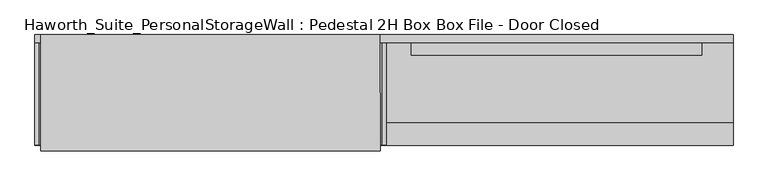
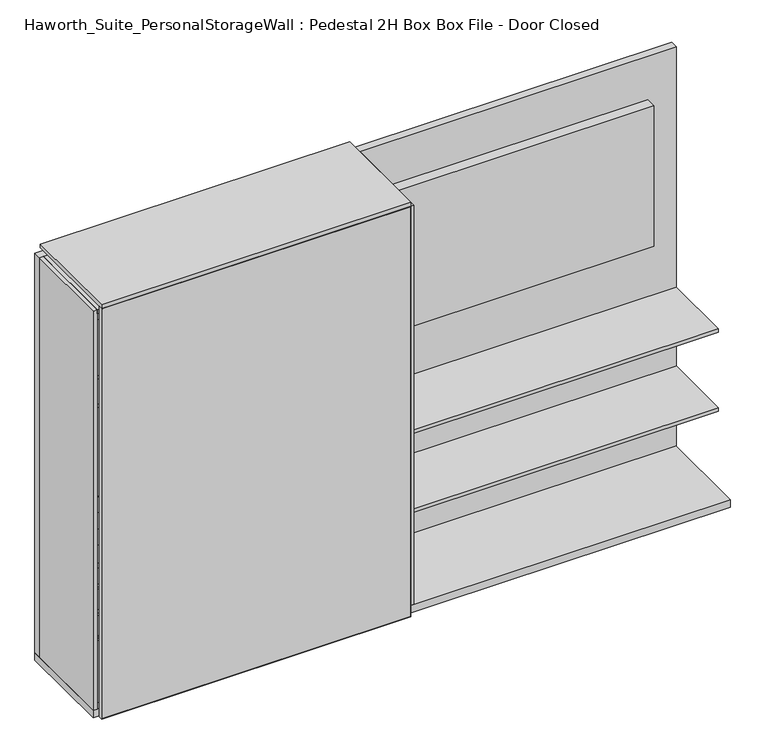
"""IFC4 building model written with IfcOpenShell, lengths in millimetres: furniture geometry, Haworth_Suite_PersonalStorageWall : Pedestal 2H Box Box File - Door Closed."""

from ifc_helpers import new_model, si_unit, point, frame, frame_2d, origin, origin_with_axes, place, context, project, spatial, polyline, circle_curve, trimmed, segment, composite_curve, outline, extrude, source, transform, mapped, element, save


def haworth_suite_personalstoragewall_pedestal_2h_box_box_file_7aa3831e(model_context):
    return source(origin(), model_context, "Body", "SweptSolid", [
        extrude(outline(polyline([(1070.371875, -202.4059418), (-199.628125, -202.4059418), (-199.628125, -151.6059418), (1070.371875, -151.6059418), (1070.371875, -202.4059418)])), frame((0.0, 0.0, 1127.125), z_axis=(0.0, 0.0, 1.0), x_axis=(1.0, 0.0, 0.0)), (0.0, 0.0, 1.0), 711.2),
        extrude(outline(polyline([(2077.24375, -1816.1), (0.0, -1816.1), (1.5875, -1814.5125), (2075.65625, -1814.5125), (2077.24375, -1816.1)])), frame((0.0, -622.3, 0.0), z_axis=(0.0, 1.0, 0.0), x_axis=(0.0, 0.0, 1.0)), (0.0, 0.0, 1.0), 19.05),
        extrude(outline(polyline([(2077.24375, -334.9625), (2075.65625, -336.55), (1.5875, -336.55), (0.0, -334.9625), (2077.24375, -334.9625)])), frame((0.0, -622.3, 0.0), z_axis=(0.0, 1.0, 0.0), x_axis=(0.0, 0.0, 1.0)), (0.0, 0.0, 1.0), 19.05),
        extrude(outline(polyline([(2075.65625, -1814.5125), (2075.65625, -336.55), (2077.24375, -334.9625), (2077.24375, -1816.1), (2075.65625, -1814.5125)])), frame((0.0, -622.3, 0.0), z_axis=(0.0, 1.0, 0.0), x_axis=(0.0, 0.0, 1.0)), (0.0, 0.0, 1.0), 19.05),
        extrude(outline(polyline([(1.5875, -1814.5125), (0.0, -1816.1), (0.0, -334.9625), (1.5875, -336.55), (1.5875, -1814.5125)])), frame((0.0, -622.3, 0.0), z_axis=(0.0, 1.0, 0.0), x_axis=(0.0, 0.0, 1.0)), (0.0, 0.0, 1.0), 19.05),
        extrude(outline(polyline([(-336.55, -604.04375), (-336.55, -621.50625), (-1814.5125, -621.50625), (-1814.5125, -604.04375), (-336.55, -604.04375)])), frame((0.0, 0.0, 1.5875), z_axis=(0.0, 0.0, 1.0), x_axis=(1.0, 0.0, 0.0)), (0.0, 0.0, 1.0), 2074.06875),
        extrude(outline(polyline([(-1485.9, -567.5309387), (-1485.9, -186.5309387), (-1473.2, -186.5309387), (-1473.2, -567.5309387), (-1485.9, -567.5309387)])), frame((0.0, 0.0, 527.05), z_axis=(0.0, 0.0, 1.0), x_axis=(1.0, 0.0, 0.0)), (0.0, 0.0, 1.0), 101.6),
        extrude(outline(polyline([(-1822.45, -186.5309387), (-1809.75, -186.5309387), (-1809.75, -567.5309387), (-1822.45, -567.5309387), (-1822.45, -186.5309387)])), frame((0.0, 0.0, 527.05), z_axis=(0.0, 0.0, 1.0), x_axis=(1.0, 0.0, 0.0)), (0.0, 0.0, 1.0), 101.6),
        extrude(outline(polyline([(-1822.45, -186.5309387), (-1822.45, -173.8309387), (-1473.2, -173.8309387), (-1473.2, -186.5309387), (-1822.45, -186.5309387)])), frame((0.0, 0.0, 527.05), z_axis=(0.0, 0.0, 1.0), x_axis=(1.0, 0.0, 0.0)), (0.0, 0.0, 1.0), 101.6),
        extrude(outline(polyline([(-1822.45, -580.2309387), (-1822.45, -567.5309387), (-1473.2, -567.5309387), (-1473.2, -580.2309387), (-1822.45, -580.2309387)])), frame((0.0, 0.0, 527.05), z_axis=(0.0, 0.0, 1.0), x_axis=(1.0, 0.0, 0.0)), (0.0, 0.0, 1.0), 101.6),
        extrude(outline(polyline([(-1809.75, -567.5309387), (-1809.75, -186.5309387), (-1485.9, -186.5309387), (-1485.9, -567.5309387), (-1809.75, -567.5309387)])), frame((0.0, 0.0, 527.05), z_axis=(0.0, 0.0, 1.0), x_axis=(1.0, 0.0, 0.0)), (0.0, 0.0, 1.0), 12.7),
        extrude(outline(polyline([(-148.4309387, 749.3), (-147.2970101, 748.1660714), (-248.8970101, 671.9660714), (-250.0309387, 673.1), (-148.4309387, 749.3)])), frame((-1822.45, 0.0, 0.0), z_axis=(1.0, 0.0, 0.0), x_axis=(0.0, 1.0, 0.0)), (0.0, 0.0, 1.0), 349.25),
        extrude(outline(polyline([(-351.6309387, 749.3), (-350.4970101, 748.1660714), (-452.0970101, 671.9660714), (-453.2309387, 673.1), (-351.6309387, 749.3)])), frame((-1822.45, 0.0, 0.0), z_axis=(1.0, 0.0, 0.0), x_axis=(0.0, 1.0, 0.0)), (0.0, 0.0, 1.0), 349.25),
        extrude(outline(polyline([(0.0, -127.0), (0.0, 0.0), (349.25, 0.0), (349.25, -127.0), (0.0, -127.0)])), frame((-1822.45, -249.0784387, 748.03), z_axis=(0.0, -0.5999999999999731, 0.8000000000000203), x_axis=(1.0, 0.0, 0.0)), (0.0, 0.0, 1.0), 1.5875),
        extrude(outline(polyline([(-1822.45, -578.6434387), (-1822.45, -148.4309387), (-1473.2, -148.4309387), (-1473.2, -578.6434387), (-1822.45, -578.6434387)])), frame((0.0, 0.0, 657.225), z_axis=(0.0, 0.0, 1.0), x_axis=(1.0, 0.0, 0.0)), (0.0, 0.0, 1.0), 15.875),
        extrude(outline(composite_curve([segment(trimmed(circle_curve(frame_2d((-567.5309387, 738.1875)), 12.7), [point((-580.2309387, 738.1875))], [point((-567.5309387, 750.8875))], False, "CARTESIAN"), True, "CONTINUOUS"), segment(polyline([(-567.5309387, 750.8875), (-453.2309387, 750.8875), (-453.2309387, 749.3), (-567.5309387, 749.3)]), True, "CONTINUOUS"), segment(trimmed(circle_curve(frame_2d((-567.5309387, 738.1875)), 11.1125), [point((-567.5309387, 749.3))], [point((-578.6434387, 738.1875))], True, "CARTESIAN"), True, "CONTINUOUS"), segment(polyline([(-578.6434387, 738.1875), (-578.6434387, 657.225), (-580.2309387, 657.225), (-580.2309387, 738.1875)]), True, "CONTINUOUS")], self_intersect=False)), frame((-1822.45, 0.0, 0.0), z_axis=(1.0, 0.0, 0.0), x_axis=(0.0, 1.0, 0.0)), (0.0, 0.0, 1.0), 349.25),
        extrude(outline(polyline([(-304.4825, 720.725), (-304.4825, 479.425), (-153.9875, 479.425), (-153.9875, 504.825), (-152.4, 504.825), (-152.4, 477.8375), (-306.07, 477.8375), (-306.07, 719.1375), (-329.8825, 719.1375), (-329.8825, 720.725), (-304.4825, 720.725)])), frame((-1449.3875, 0.0, 0.0), z_axis=(1.0, 0.0, 0.0), x_axis=(0.0, 1.0, 0.0)), (0.0, 0.0, 1.0), 952.5),
        extrude(outline(polyline([(-598.4875, 0.0), (-598.4875, 39.6875), (-152.4, 39.6875), (-152.4, 38.1), (-596.9, 38.1), (-596.9, 0.0), (-598.4875, 0.0)])), frame((-1449.3875, 0.0, 0.0), z_axis=(1.0, 0.0, 0.0), x_axis=(0.0, 1.0, 0.0)), (0.0, 0.0, 1.0), 952.5),
        extrude(outline(composite_curve([segment(trimmed(circle_curve(frame_2d((-582.6125, 738.1875)), 12.7), [point((-595.3125, 738.1875))], [point((-582.6125, 750.8875))], False, "CARTESIAN"), True, "CONTINUOUS"), segment(polyline([(-582.6125, 750.8875), (-163.5125, 750.8875), (-163.5125, 749.3), (-582.6125, 749.3)]), True, "CONTINUOUS"), segment(trimmed(circle_curve(frame_2d((-582.6125, 738.1875)), 11.1125), [point((-582.6125, 749.3))], [point((-593.725, 738.1875))], True, "CARTESIAN"), True, "CONTINUOUS"), segment(polyline([(-593.725, 738.1875), (-593.725, 708.025), (-595.3125, 708.025), (-595.3125, 738.1875)]), True, "CONTINUOUS")], self_intersect=False)), frame((-1449.3875, 0.0, 0.0), z_axis=(1.0, 0.0, 0.0), x_axis=(0.0, 1.0, 0.0)), (0.0, 0.0, 1.0), 952.5),
        extrude(outline(polyline([(-1485.9, -567.5309387), (-1485.9, -186.5309387), (-1473.2, -186.5309387), (-1473.2, -567.5309387), (-1485.9, -567.5309387)])), frame((0.0, 0.0, 396.875), z_axis=(0.0, 0.0, 1.0), x_axis=(1.0, 0.0, 0.0)), (0.0, 0.0, 1.0), 101.6),
        extrude(outline(polyline([(-1822.45, -186.5309387), (-1809.75, -186.5309387), (-1809.75, -567.5309387), (-1822.45, -567.5309387), (-1822.45, -186.5309387)])), frame((0.0, 0.0, 396.875), z_axis=(0.0, 0.0, 1.0), x_axis=(1.0, 0.0, 0.0)), (0.0, 0.0, 1.0), 101.6),
        extrude(outline(polyline([(-1822.45, -186.5309387), (-1822.45, -173.8309387), (-1473.2, -173.8309387), (-1473.2, -186.5309387), (-1822.45, -186.5309387)])), frame((0.0, 0.0, 396.875), z_axis=(0.0, 0.0, 1.0), x_axis=(1.0, 0.0, 0.0)), (0.0, 0.0, 1.0), 101.6),
        extrude(outline(polyline([(-1822.45, -580.2309387), (-1822.45, -567.5309387), (-1473.2, -567.5309387), (-1473.2, -580.2309387), (-1822.45, -580.2309387)])), frame((0.0, 0.0, 396.875), z_axis=(0.0, 0.0, 1.0), x_axis=(1.0, 0.0, 0.0)), (0.0, 0.0, 1.0), 101.6),
        extrude(outline(polyline([(-1809.75, -567.5309387), (-1809.75, -186.5309387), (-1485.9, -186.5309387), (-1485.9, -567.5309387), (-1809.75, -567.5309387)])), frame((0.0, 0.0, 396.875), z_axis=(0.0, 0.0, 1.0), x_axis=(1.0, 0.0, 0.0)), (0.0, 0.0, 1.0), 12.7),
        extrude(outline(polyline([(-1485.9, -567.5309387), (-1485.9, -186.5309387), (-1473.2, -186.5309387), (-1473.2, -567.5309387), (-1485.9, -567.5309387)])), frame((0.0, 0.0, 57.15), z_axis=(0.0, 0.0, 1.0), x_axis=(1.0, 0.0, 0.0)), (0.0, 0.0, 1.0), 311.15),
        extrude(outline(polyline([(-1822.45, -186.5309387), (-1809.75, -186.5309387), (-1809.75, -567.5309387), (-1822.45, -567.5309387), (-1822.45, -186.5309387)])), frame((0.0, 0.0, 57.15), z_axis=(0.0, 0.0, 1.0), x_axis=(1.0, 0.0, 0.0)), (0.0, 0.0, 1.0), 311.15),
        extrude(outline(polyline([(-1822.45, -186.5309387), (-1822.45, -173.8309387), (-1473.2, -173.8309387), (-1473.2, -186.5309387), (-1822.45, -186.5309387)])), frame((0.0, 0.0, 57.15), z_axis=(0.0, 0.0, 1.0), x_axis=(1.0, 0.0, 0.0)), (0.0, 0.0, 1.0), 311.15),
        extrude(outline(polyline([(-1822.45, -580.2309387), (-1822.45, -567.5309387), (-1473.2, -567.5309387), (-1473.2, -580.2309387), (-1822.45, -580.2309387)])), frame((0.0, 0.0, 57.15), z_axis=(0.0, 0.0, 1.0), x_axis=(1.0, 0.0, 0.0)), (0.0, 0.0, 1.0), 311.15),
        extrude(outline(polyline([(-1809.75, -567.5309387), (-1809.75, -186.5309387), (-1485.9, -186.5309387), (-1485.9, -567.5309387), (-1809.75, -567.5309387)])), frame((0.0, 0.0, 57.15), z_axis=(0.0, 0.0, 1.0), x_axis=(1.0, 0.0, 0.0)), (0.0, 0.0, 1.0), 12.7),
        extrude(outline(polyline([(2058.19375, 1206.5), (2058.19375, -1841.5), (38.1, -1841.5), (38.1, 1206.5), (2058.19375, 1206.5)]), holes=[polyline([(161.0999959, -1771.6000015), (567.4999898, -1771.6000015), (567.4999898, -1568.3999909), (161.0999959, -1568.3999909), (161.0999959, -1771.6000015)]), polyline([(504.000014, -1238.2500121), (504.000014, -1435.0999879), (643.7000261, -1435.0999879), (643.7000261, -1238.2500121), (504.000014, -1238.2500121)])]), frame((0.0, -149.5975372, 0.0), z_axis=(0.0, 1.0, 0.0), x_axis=(0.0, 0.0, 1.0)), (0.0, 0.0, 1.0), 35.2975372),
        extrude(outline(polyline([(-327.025, -149.5975372), (-327.025, -596.9), (-1822.45, -596.9), (-1822.45, -149.5975372), (-327.025, -149.5975372)])), frame((0.0, 0.0, 2039.14375), z_axis=(0.0, 0.0, 1.0), x_axis=(1.0, 0.0, 0.0)), (0.0, 0.0, 1.0), 19.05),
        extrude(outline(polyline([(-307.2032339, -596.9), (-326.2532339, -596.9), (-326.2532339, -149.5975372), (-307.2032339, -149.5975372), (-307.2032339, -596.9)])), frame((0.0, 0.0, 38.1), z_axis=(0.0, 0.0, 1.0), x_axis=(1.0, 0.0, 0.0)), (0.0, 0.0, 1.0), 2020.09375),
        extrude(outline(polyline([(-326.2532339, -149.5975372), (-326.2532339, -498.475), (-477.8375, -498.475), (-477.8375, -149.5975372), (-326.2532339, -149.5975372)])), frame((0.0, 0.0, 1627.1875), z_axis=(0.0, 0.0, 1.0), x_axis=(1.0, 0.0, 0.0)), (0.0, 0.0, 1.0), 18.2561531),
        extrude(outline(polyline([(-1822.45, -596.9), (-1841.5, -596.9), (-1841.5, -149.5975372), (-1822.45, -149.5975372), (-1822.45, -596.9)])), frame((0.0, 0.0, 38.1), z_axis=(0.0, 0.0, 1.0), x_axis=(1.0, 0.0, 0.0)), (0.0, 0.0, 1.0), 2020.09375),
        extrude(outline(polyline([(-496.8875, -149.5975372), (-496.8875, -163.5125), (-1809.75, -163.5125), (-1809.75, -149.5975372), (-496.8875, -149.5975372)])), frame((0.0, 0.0, 764.4777447), z_axis=(0.0, 0.0, 1.0), x_axis=(1.0, 0.0, 0.0)), (0.0, 0.0, 1.0), 701.1622827),
        extrude(outline(polyline([(-1150.9375754, -149.5975372), (-1150.9375754, -407.1569331), (-1169.1937286, -407.1569331), (-1169.1937286, -149.5975372), (-1150.9375754, -149.5975372)])), frame((0.0, 0.0, 1500.1875484), z_axis=(0.0, 0.0, 1.0), x_axis=(1.0, 0.0, 0.0)), (0.0, 0.0, 1.0), 126.9999516),
        extrude(outline(polyline([(-496.8875, -149.5975372), (-496.8875, -498.475), (-1822.45, -498.475), (-1822.45, -149.5975372), (-496.8875, -149.5975372)])), frame((0.0, 0.0, 1481.93125), z_axis=(0.0, 0.0, 1.0), x_axis=(1.0, 0.0, 0.0)), (0.0, 0.0, 1.0), 18.2562984),
        extrude(outline(polyline([(-496.8875, -149.5975372), (-496.8875, -498.475), (-1822.45, -498.475), (-1822.45, -149.5975372), (-496.8875, -149.5975372)])), frame((0.0, 0.0, 1627.1875), z_axis=(0.0, 0.0, 1.0), x_axis=(1.0, 0.0, 0.0)), (0.0, 0.0, 1.0), 18.2561531),
        extrude(outline(polyline([(1206.5, -149.5975372), (1206.5, -498.475), (-307.2032339, -498.475), (-307.2032339, -149.5975372), (1206.5, -149.5975372)])), frame((0.0, 0.0, 823.6154732), z_axis=(0.0, 0.0, 1.0), x_axis=(1.0, 0.0, 0.0)), (0.0, 0.0, 1.0), 18.25625),
        extrude(outline(polyline([(1206.5, -149.5975372), (1206.5, -498.475), (-307.2032339, -498.475), (-307.2032339, -149.5975372), (1206.5, -149.5975372)])), frame((0.0, 0.0, 424.3592232), z_axis=(0.0, 0.0, 1.0), x_axis=(1.0, 0.0, 0.0)), (0.0, 0.0, 1.0), 18.25625),
        extrude(outline(polyline([(-334.9625, -114.3), (-334.9625, -622.3), (-1816.1, -622.3), (-1816.1, -114.3), (-334.9625, -114.3)])), frame((0.0, 0.0, 2077.24375), z_axis=(0.0, 0.0, 1.0), x_axis=(1.0, 0.0, 0.0)), (0.0, 0.0, 1.0), 19.05),
        extrude(outline(polyline([(-1447.7995299, -596.9), (-1466.8495299, -596.9), (-1466.8495299, -149.5975372), (-1447.7995299, -149.5975372), (-1447.7995299, -596.9)])), frame((0.0, 0.0, 38.1), z_axis=(0.0, 0.0, 1.0), x_axis=(1.0, 0.0, 0.0)), (0.0, 0.0, 1.0), 712.7875),
        extrude(outline(polyline([(1206.5, -114.3), (1206.5, -596.9), (-1841.5, -596.9), (-1841.5, -114.3), (1206.5, -114.3)])), origin_with_axes(), (0.0, 0.0, 1.0), 38.1),
        extrude(outline(polyline([(-477.8375, -596.9), (-496.8875, -596.9), (-496.8875, -149.5975372), (-477.8375, -149.5975372), (-477.8375, -596.9)])), frame((0.0, 0.0, 38.1), z_axis=(0.0, 0.0, 1.0), x_axis=(1.0, 0.0, 0.0)), (0.0, 0.0, 1.0), 2001.04375),
    ])


if __name__ == "__main__":
    model = new_model("IFC4")
    model_context = context("Model", 3, world=origin())
    ifc_project = project(units=[si_unit("LENGTHUNIT", "METRE", prefix="MILLI")], contexts=[model_context])
    site = spatial("IfcSite", under=ifc_project)
    building = spatial("IfcBuilding", under=site)
    placement = place(None, origin())
    haworth_suite_personalstoragewall_pedestal_2h_box_box_file_shape = haworth_suite_personalstoragewall_pedestal_2h_box_box_file_7aa3831e(model_context)
    element("IfcFurniture", 1, ObjectType="Haworth_Suite_PersonalStorageWall : Pedestal 2H Box Box File - Door Closed", at=placement, inside=building, context=model_context, shape_type="MappedRepresentation", body=[
        mapped(haworth_suite_personalstoragewall_pedestal_2h_box_box_file_shape, transform((0.0, 0.0, 0.0), x_axis=(1.0, 0.0, 0.0), y_axis=(0.0, 1.0, 0.0), z_axis=(0.0, 0.0, 1.0))),
    ])
    save(model, "model.ifc")
